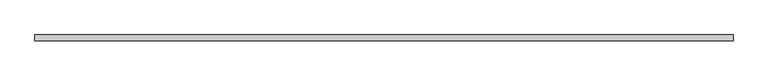
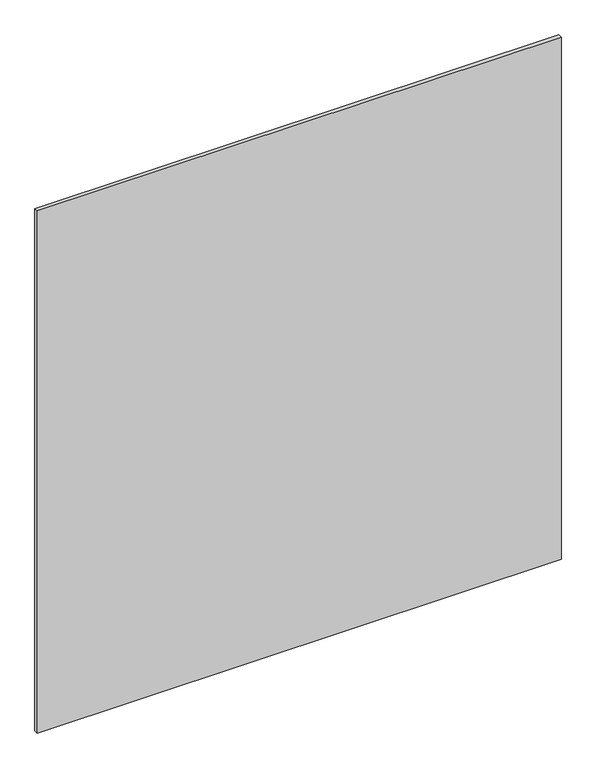
"""IFC4 building model written with IfcOpenShell, lengths in millimetres: plate geometry."""

from ifc_helpers import new_model, si_unit, origin, origin_with_axes, place, context, project, spatial, polyline, outline, extrude, source, transform, mapped, element, save


def plate_36c6697b(model_context):
    return source(origin(), model_context, "Body", "SweptSolid", [
        extrude(outline(polyline([(612.5, 5.0), (612.5, -5.0), (-612.5, -5.0), (-612.5, 5.0), (612.5, 5.0)])), origin_with_axes(), (0.0, 0.0, 1.0), 1290.0),
    ])


if __name__ == "__main__":
    model = new_model("IFC4")
    model_context = context("Model", 3, world=origin())
    ifc_project = project(units=[si_unit("LENGTHUNIT", "METRE", prefix="MILLI")], contexts=[model_context])
    site = spatial("IfcSite", under=ifc_project)
    building = spatial("IfcBuilding", under=site)
    placement = place(None, origin())
    plate_shape = plate_36c6697b(model_context)
    element("IfcPlate", 1, at=placement, inside=building, context=model_context, shape_type="MappedRepresentation", body=[
        mapped(plate_shape, transform((0.0, 0.0, 0.0), x_axis=(1.0, 0.0, 0.0), y_axis=(0.0, 1.0, 0.0), z_axis=(0.0, 0.0, 1.0))),
    ])
    save(model, "model.ifc")
